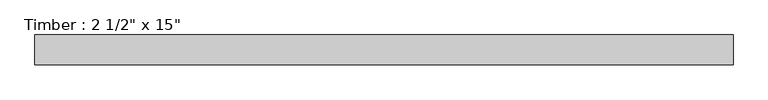
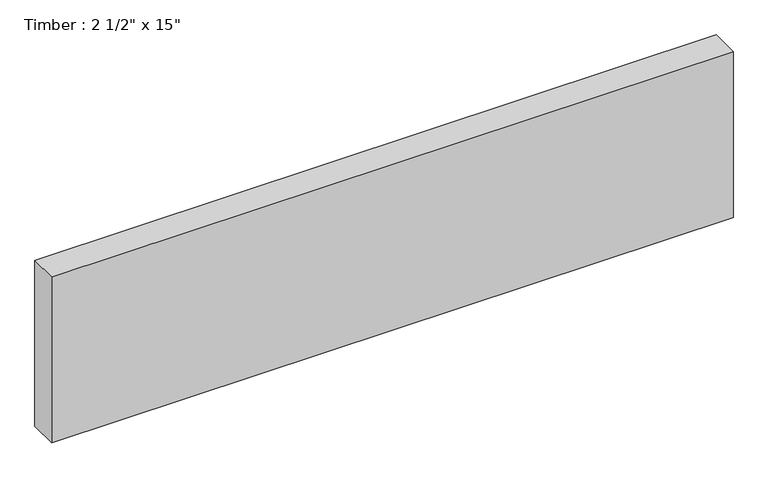
"""IFC4 building model written with IfcOpenShell, lengths in millimetres: beam geometry."""

import ifcopenshell
import ifcopenshell.guid

model = None  # the IFC model being written
_history = None  # IfcOwnerHistory: only IFC2X3 demands one
_inside = {}  # id of a spatial element -> (the spatial element, [elements in it])
_under = {}  # id of a project, library or spatial element -> (it, [spatial elements below it])
_declared = {}  # id of a project -> (the project, [libraries it declares])
_typed = {}  # id of a type object -> (the type object, [elements of that type])
_made_of = {}  # id of a material, layer set ... -> (it, [elements and type objects made of it])


def new_model(schema):
    """Start an empty IFC model of exactly this schema.

    Asked for "IFC4X3", IfcOpenShell would pick the latest addendum, in which some entities
    have other attributes; the version numbers below select the first issue.
    IFC2X3 requires an IfcOwnerHistory on every rooted entity: one is made here for all.
    """
    global model, _history
    if schema == "IFC4X3":
        model = ifcopenshell.file(schema_version=(4, 3, 0, 0))
    else:
        model = ifcopenshell.file(schema=schema)
    _inside.clear()
    _under.clear()
    _declared.clear()
    _typed.clear()
    _made_of.clear()
    _history = None
    if model.schema == "IFC2X3":
        org = make("IfcOrganization", Name="unknown")
        user = make(
            "IfcPersonAndOrganization",
            ThePerson=make("IfcPerson", FamilyName="unknown"),
            TheOrganization=org,
        )
        app = make(
            "IfcApplication",
            ApplicationDeveloper=org,
            Version="unknown",
            ApplicationFullName="unknown",
            ApplicationIdentifier="unknown",
        )
        _history = make(
            "IfcOwnerHistory",
            OwningUser=user,
            OwningApplication=app,
            ChangeAction="ADDED",
            CreationDate=0,
        )
    return model


def make(cls, **values):
    """One entity of the class cls with the attributes given. An attribute that is None is left unset."""
    return model.create_entity(
        cls, **{name: value for name, value in values.items() if value is not None}
    )


def rooted(cls, **values):
    """An entity with a GlobalId (a new one), such as an element, a storey or a relation."""
    return make(cls, GlobalId=ifcopenshell.guid.new(), OwnerHistory=_history, **values)


def si_unit(unit_type, name, prefix=None):
    """IfcSIUnit, for example si_unit("LENGTHUNIT", "METRE", prefix="MILLI")."""
    return make("IfcSIUnit", UnitType=unit_type, Prefix=prefix, Name=name)


def assignment(units):
    """IfcUnitAssignment: the units of a project."""
    return None if units is None else make("IfcUnitAssignment", Units=units)


def point(xyz):
    """IfcCartesianPoint."""
    return None if xyz is None else make("IfcCartesianPoint", Coordinates=xyz)


def direction(xyz):
    """IfcDirection."""
    return None if xyz is None else make("IfcDirection", DirectionRatios=xyz)


def frame(location, z_axis=None, x_axis=None):
    """IfcAxis2Placement3D, a coordinate frame: its origin and axes. An axis left out is left unset."""
    return make(
        "IfcAxis2Placement3D",
        Location=point(location),
        Axis=direction(z_axis),
        RefDirection=direction(x_axis),
    )


def origin():
    """The frame at (0, 0, 0) with its axes left unset."""
    return frame((0.0, 0.0, 0.0))


def place(relative_to, where):
    """IfcLocalPlacement: puts the frame where relative to a parent placement (None: the world)."""
    return make(
        "IfcLocalPlacement", PlacementRelTo=relative_to, RelativePlacement=where
    )


def context(
    kind, dimensions, precision=None, world=None, true_north=None, identifier=None
):
    """IfcGeometricRepresentationContext, for example the 3D "Model" context."""
    return make(
        "IfcGeometricRepresentationContext",
        ContextIdentifier=identifier,
        ContextType=kind,
        CoordinateSpaceDimension=dimensions,
        Precision=precision,
        WorldCoordinateSystem=world,
        TrueNorth=true_north,
    )


def project(units=None, contexts=None):
    """IfcProject with its units and contexts."""
    return rooted(
        "IfcProject",
        Name="project",
        RepresentationContexts=contexts,
        UnitsInContext=assignment(units),
    )


def spatial(cls, under=None, at=None, **own):
    """A site, building, storey or space (cls), placed at a placement, below another one or the project."""
    s = rooted(cls, ObjectPlacement=at, **own)
    if under is not None:
        _under.setdefault(under.id(), (under, []))[1].append(s)
    return s


def polyline(points):
    """IfcPolyline through the points."""
    return make("IfcPolyline", Points=[point(p) for p in points])


def outline(outer, holes=None, kind="AREA"):
    """IfcArbitraryClosedProfileDef: a profile drawn as a closed curve; with holes, ...WithVoids."""
    if holes is None:
        return make("IfcArbitraryClosedProfileDef", ProfileType=kind, OuterCurve=outer)
    return make(
        "IfcArbitraryProfileDefWithVoids",
        ProfileType=kind,
        OuterCurve=outer,
        InnerCurves=holes,
    )


def extrude(swept, where, along, depth):
    """IfcExtrudedAreaSolid: the profile swept, set in the frame where, extruded along a direction by depth."""
    return make(
        "IfcExtrudedAreaSolid",
        SweptArea=swept,
        Position=where,
        ExtrudedDirection=direction(along),
        Depth=depth,
    )


def shape(context_of_items, identifier, shape_type, items):
    """IfcShapeRepresentation: the items that make up one representation, for example the "Body"."""
    return make(
        "IfcShapeRepresentation",
        ContextOfItems=context_of_items,
        RepresentationIdentifier=identifier,
        RepresentationType=shape_type,
        Items=items,
    )


def source(mapping_origin, context_of_items, identifier, shape_type, items):
    """IfcRepresentationMap: a shape defined once, which mapped items show again and again."""
    return make(
        "IfcRepresentationMap",
        MappingOrigin=mapping_origin,
        MappedRepresentation=shape(context_of_items, identifier, shape_type, items),
    )


def transform(
    local_origin,
    x_axis=None,
    y_axis=None,
    z_axis=None,
    scale=None,
    scale2=None,
    scale3=None,
    uniform=True,
):
    """IfcCartesianTransformationOperator3D, or its non-uniform kind. x_axis, y_axis, z_axis: its Axis1, 2, 3."""
    if uniform:
        return make(
            "IfcCartesianTransformationOperator3D",
            Axis1=direction(x_axis),
            Axis2=direction(y_axis),
            LocalOrigin=point(local_origin),
            Scale=scale,
            Axis3=direction(z_axis),
        )
    return make(
        "IfcCartesianTransformationOperator3DnonUniform",
        Axis1=direction(x_axis),
        Axis2=direction(y_axis),
        LocalOrigin=point(local_origin),
        Scale=scale,
        Axis3=direction(z_axis),
        Scale2=scale2,
        Scale3=scale3,
    )


def mapped(mapping_source, mapping_target):
    """IfcMappedItem: shows the shape of a source again, moved by a transform."""
    return make(
        "IfcMappedItem", MappingSource=mapping_source, MappingTarget=mapping_target
    )


def made_of(thing, what):
    """Note that an element or type object is made of a material, layer set ...; save() writes the relation."""
    if what is not None:
        _made_of.setdefault(what.id(), (what, []))[1].append(thing)
    return thing


def element(
    cls,
    number,
    at=None,
    inside=None,
    cuts=None,
    type_object=None,
    material=None,
    context=None,
    identifier="Body",
    shape_type=None,
    held_by="IfcProductDefinitionShape",
    body=None,
    shapes=None,
    **own,
):
    """One element of the class cls, such as IfcWall. Its Tag is "e" and its number.

    at: its placement. inside: the storey or other place that contains it. cuts: it is an
    opening in that element (IfcRelVoidsElement). A single representation is given by context,
    identifier, shape_type and body (its items); several are given by shapes. held_by: the class
    of the entity that holds the representations. save() writes the other relations.
    """
    e = rooted(cls, Tag="e%d" % number, ObjectPlacement=at, **own)
    if body is not None:
        shapes = [shape(context, identifier, shape_type, body)]
    if shapes is not None:
        e.Representation = make(held_by, Representations=shapes)
    if inside is not None:
        _inside.setdefault(inside.id(), (inside, []))[1].append(e)
    if cuts is not None:
        rooted(
            "IfcRelVoidsElement", RelatingBuildingElement=cuts, RelatedOpeningElement=e
        )
    if type_object is not None:
        _typed.setdefault(type_object.id(), (type_object, []))[1].append(e)
    return made_of(e, material)


def aggregate(whole, parts):
    """IfcRelAggregates: a whole, such as a stair, and the parts it consists of."""
    return rooted("IfcRelAggregates", RelatingObject=whole, RelatedObjects=parts)


def save(model, path):
    """Write the relations noted so far, then the file.

    IfcRelAggregates (storeys below a building ...), IfcRelContainedInSpatialStructure (elements
    in a storey), IfcRelDefinesByType, IfcRelAssociatesMaterial and IfcRelDeclares: one each for
    every whole, place, type object, material and project.
    """
    for whole, parts in _under.values():
        aggregate(whole, parts)
    for where, things in _inside.values():
        rooted(
            "IfcRelContainedInSpatialStructure",
            RelatedElements=things,
            RelatingStructure=where,
        )
    for kind, things in _typed.values():
        rooted("IfcRelDefinesByType", RelatedObjects=things, RelatingType=kind)
    for what, things in _made_of.values():
        rooted("IfcRelAssociatesMaterial", RelatedObjects=things, RelatingMaterial=what)
    for by, libraries in _declared.values():
        rooted("IfcRelDeclares", RelatingContext=by, RelatedDefinitions=libraries)
    model.write(path)


def beam_7fbb7b81(model_context):
    return source(origin(), model_context, "Body", "SweptSolid", [
        extrude(outline(polyline([(738.6853528, 31.75), (738.6853528, -31.75), (-738.6853528, -31.75), (-738.6853528, 31.75), (738.6853528, 31.75)])), frame((0.0, 0.0, -190.5), z_axis=(0.0, 0.0, 1.0), x_axis=(1.0, 0.0, 0.0)), (0.0, 0.0, 1.0), 381.0),
    ])


if __name__ == "__main__":
    model = new_model("IFC4")
    model_context = context("Model", 3, world=origin())
    ifc_project = project(units=[si_unit("LENGTHUNIT", "METRE", prefix="MILLI")], contexts=[model_context])
    site = spatial("IfcSite", under=ifc_project)
    building = spatial("IfcBuilding", under=site)
    placement = place(None, origin())
    beam_shape = beam_7fbb7b81(model_context)
    element("IfcBeam", 1, ObjectType="Timber : 2 1/2\" x 15\"", at=placement, inside=building, context=model_context, shape_type="MappedRepresentation", body=[
        mapped(beam_shape, transform((0.0, 0.0, 0.0), x_axis=(1.0, 0.0, 0.0), y_axis=(0.0, 1.0, 0.0), z_axis=(0.0, 0.0, 1.0))),
    ])
    save(model, "model.ifc")
